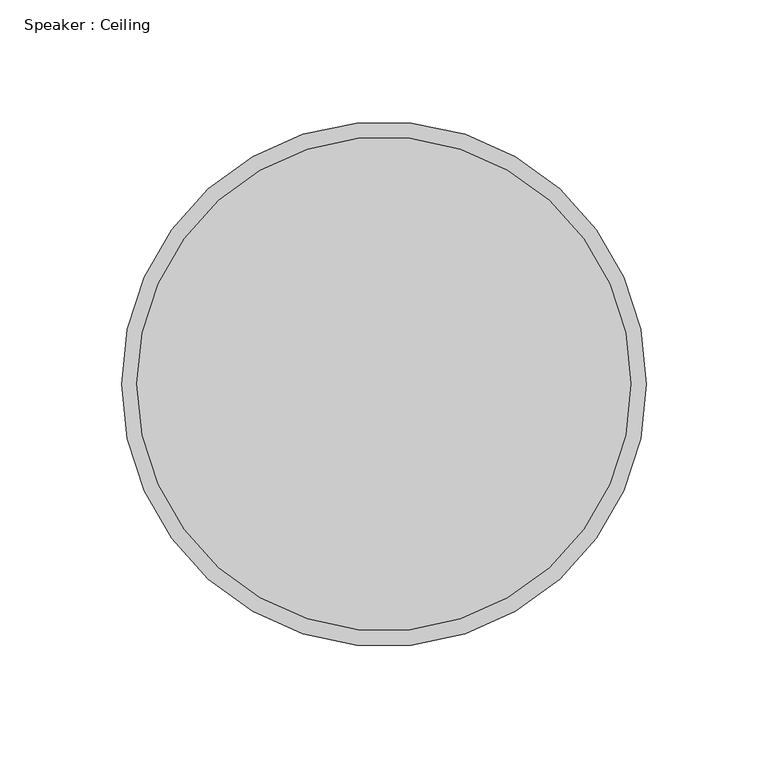
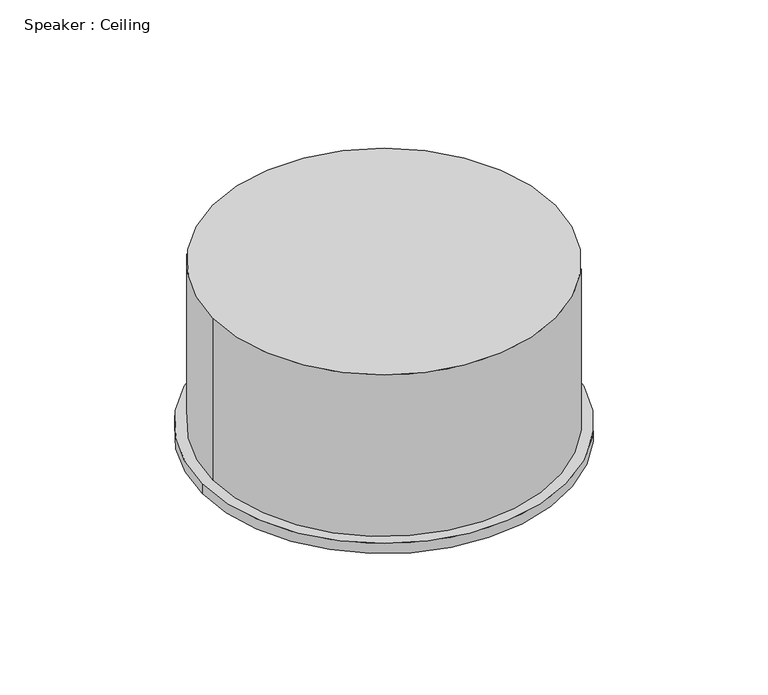
"""IFC4 building model written with IfcOpenShell, lengths in millimetres: proxy geometry, Speaker : Ceiling."""

from ifc_helpers import new_model, si_unit, point, frame, frame_2d, origin, place, context, project, spatial, circle_curve, trimmed, segment, composite_curve, outline, extrude, source, transform, mapped, element, save


def speaker_ceiling_49fde1f5(model_context):
    return source(origin(), model_context, "Body", "SweptSolid", [
        extrude(outline(composite_curve([segment(trimmed(circle_curve(frame_2d((-34.4117675, -10.7254698)), 101.6), [point((67.1882325, -10.7254698))], [point((-136.0117675, -10.7254698))], False, "CARTESIAN"), True, "CONTINUOUS"), segment(trimmed(circle_curve(frame_2d((-34.4117675, -10.7254698)), 101.6), [point((-136.0117675, -10.7254698))], [point((67.1882325, -10.7254698))], False, "CARTESIAN"), True, "CONTINUOUS")], self_intersect=False)), frame((0.0, 0.0, 2590.8), z_axis=(0.0, 0.0, 1.0), x_axis=(1.0, 0.0, 0.0)), (0.0, 0.0, 1.0), 101.6),
        extrude(outline(composite_curve([segment(trimmed(circle_curve(frame_2d((-34.4117675, -10.7254698)), 107.95), [point((73.5382325, -10.7254698))], [point((-142.3617675, -10.7254698))], False, "CARTESIAN"), True, "CONTINUOUS"), segment(trimmed(circle_curve(frame_2d((-34.4117675, -10.7254698)), 107.95), [point((-142.3617675, -10.7254698))], [point((73.5382325, -10.7254698))], False, "CARTESIAN"), True, "CONTINUOUS")], self_intersect=False)), frame((0.0, 0.0, 2584.45), z_axis=(0.0, 0.0, 1.0), x_axis=(1.0, 0.0, 0.0)), (0.0, 0.0, 1.0), 6.35),
    ])


if __name__ == "__main__":
    model = new_model("IFC4")
    model_context = context("Model", 3, world=origin())
    ifc_project = project(units=[si_unit("LENGTHUNIT", "METRE", prefix="MILLI")], contexts=[model_context])
    site = spatial("IfcSite", under=ifc_project)
    building = spatial("IfcBuilding", under=site)
    placement = place(None, origin())
    speaker_ceiling_shape = speaker_ceiling_49fde1f5(model_context)
    element("IfcBuildingElementProxy", 1, Name="Speaker : Ceiling", ObjectType="Speaker : Ceiling", at=placement, inside=building, context=model_context, shape_type="MappedRepresentation", body=[
        mapped(speaker_ceiling_shape, transform((0.0, 0.0, 0.0), x_axis=(1.0, 0.0, 0.0), y_axis=(0.0, 1.0, 0.0), z_axis=(0.0, 0.0, 1.0))),
    ])
    save(model, "model.ifc")
